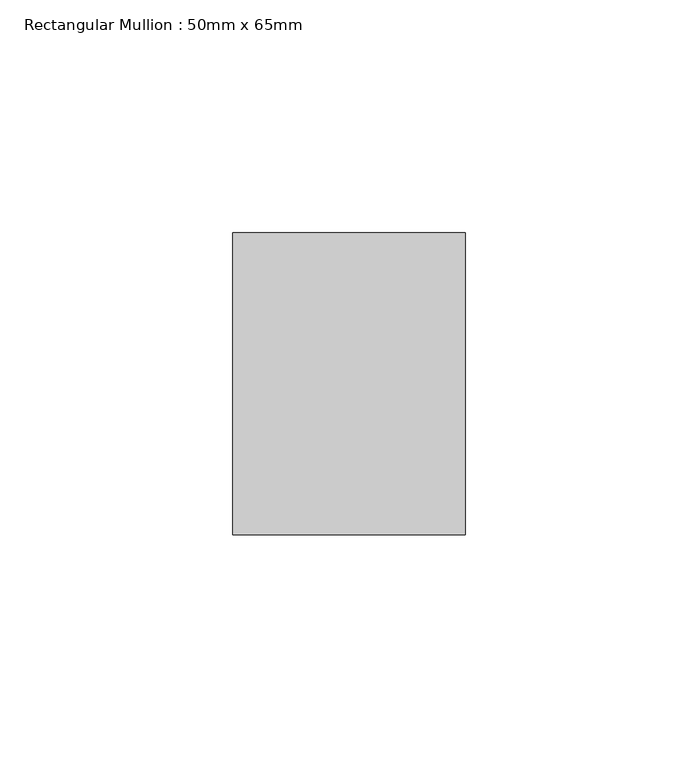
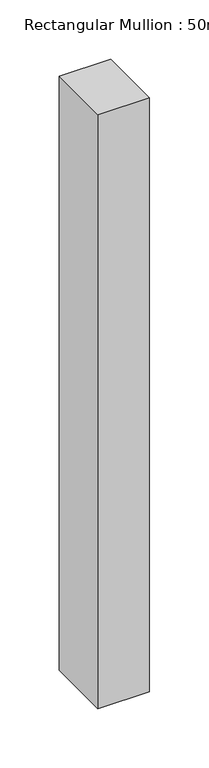
"""IFC4 building model written with IfcOpenShell, lengths in millimetres: member geometry, Rectangular Mullion : 50mm x 65mm."""

from ifc_helpers import new_model, si_unit, frame, origin, place, context, project, spatial, polyline, outline, extrude, source, transform, mapped, element, save


def rectangular_mullion_50mm_x_65mm_b5323824(model_context):
    return source(origin(), model_context, "Body", "SweptSolid", [
        extrude(outline(polyline([(25.0, 32.5), (25.0, -32.5), (-25.0, -32.5), (-25.0, 32.5), (25.0, 32.5)])), frame((0.0, 0.0, -610.764495), z_axis=(0.0, 0.0, 1.0), x_axis=(1.0, 0.0, 0.0)), (0.0, 0.0, 1.0), 610.764495),
    ])


if __name__ == "__main__":
    model = new_model("IFC4")
    model_context = context("Model", 3, world=origin())
    ifc_project = project(units=[si_unit("LENGTHUNIT", "METRE", prefix="MILLI")], contexts=[model_context])
    site = spatial("IfcSite", under=ifc_project)
    building = spatial("IfcBuilding", under=site)
    placement = place(None, origin())
    rectangular_mullion_50mm_x_65mm_shape = rectangular_mullion_50mm_x_65mm_b5323824(model_context)
    element("IfcMember", 1, ObjectType="Rectangular Mullion : 50mm x 65mm", at=placement, inside=building, context=model_context, shape_type="MappedRepresentation", body=[
        mapped(rectangular_mullion_50mm_x_65mm_shape, transform((0.0, 0.0, 0.0), x_axis=(1.0, 0.0, 0.0), y_axis=(0.0, 1.0, 0.0), z_axis=(0.0, 0.0, 1.0))),
    ])
    save(model, "model.ifc")
